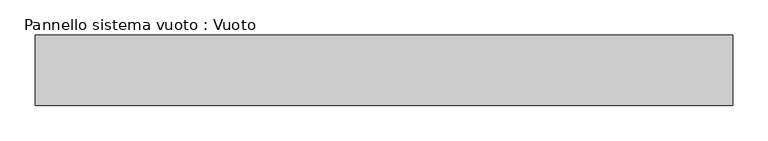
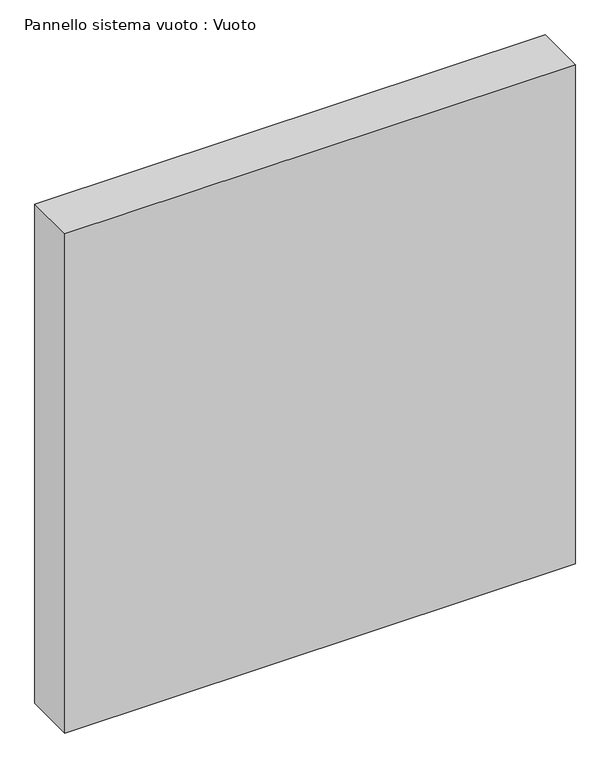
"""IFC4 building model written with IfcOpenShell, lengths in millimetres: plate geometry, Pannello sistema vuoto : Vuoto."""

from ifc_helpers import new_model, si_unit, origin, origin_with_axes, place, context, project, spatial, polyline, outline, extrude, source, transform, mapped, element, save


def pannello_sistema_vuoto_vuoto_74932e05(model_context):
    return source(origin(), model_context, "Body", "SweptSolid", [
        extrude(outline(polyline([(495.0, -50.0), (-495.0, -50.0), (-495.0, 50.0), (495.0, 50.0), (495.0, -50.0)])), origin_with_axes(), (0.0, 0.0, 1.0), 1023.3333333),
    ])


if __name__ == "__main__":
    model = new_model("IFC4")
    model_context = context("Model", 3, world=origin())
    ifc_project = project(units=[si_unit("LENGTHUNIT", "METRE", prefix="MILLI")], contexts=[model_context])
    site = spatial("IfcSite", under=ifc_project)
    building = spatial("IfcBuilding", under=site)
    placement = place(None, origin())
    pannello_sistema_vuoto_vuoto_shape = pannello_sistema_vuoto_vuoto_74932e05(model_context)
    element("IfcPlate", 1, ObjectType="Pannello sistema vuoto : Vuoto", at=placement, inside=building, context=model_context, shape_type="MappedRepresentation", body=[
        mapped(pannello_sistema_vuoto_vuoto_shape, transform((0.0, 0.0, 0.0), x_axis=(1.0, 0.0, 0.0), y_axis=(0.0, 1.0, 0.0), z_axis=(0.0, 0.0, 1.0))),
    ])
    save(model, "model.ifc")
